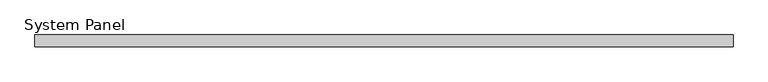
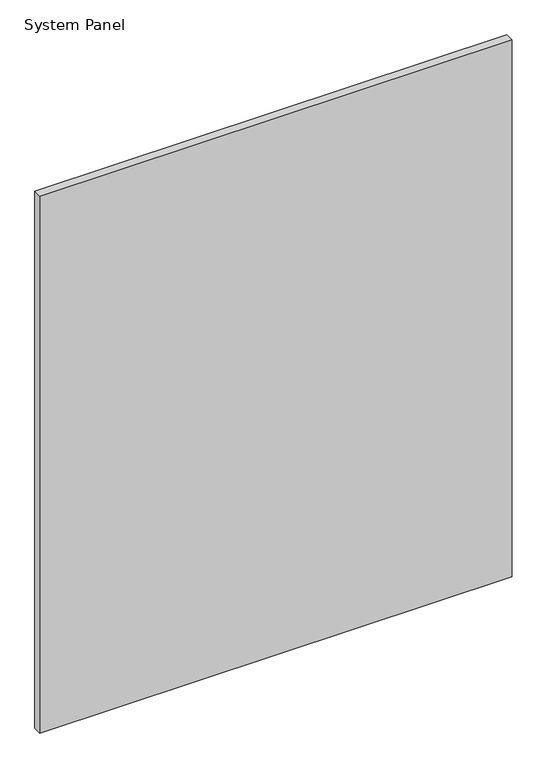
"""IFC4 building model written with IfcOpenShell, lengths in millimetres: plate geometry, System Panel."""

from ifc_helpers import new_model, si_unit, origin, origin_with_axes, place, context, project, spatial, polyline, outline, extrude, source, transform, mapped, element, save


def system_panel_56705651(model_context):
    return source(origin(), model_context, "Body", "SweptSolid", [
        extrude(outline(polyline([(738.4511624, 44.45), (-738.4511624, 44.45), (-738.4511624, 69.85), (738.4511624, 69.85), (738.4511624, 44.45)])), origin_with_axes(), (0.0, 0.0, 1.0), 1774.4100657),
    ])


if __name__ == "__main__":
    model = new_model("IFC4")
    model_context = context("Model", 3, world=origin())
    ifc_project = project(units=[si_unit("LENGTHUNIT", "METRE", prefix="MILLI")], contexts=[model_context])
    site = spatial("IfcSite", under=ifc_project)
    building = spatial("IfcBuilding", under=site)
    placement = place(None, origin())
    system_panel_shape = system_panel_56705651(model_context)
    element("IfcPlate", 1, ObjectType="System Panel", at=placement, inside=building, context=model_context, shape_type="MappedRepresentation", body=[
        mapped(system_panel_shape, transform((0.0, 0.0, 0.0), x_axis=(1.0, 0.0, 0.0), y_axis=(0.0, 1.0, 0.0), z_axis=(0.0, 0.0, 1.0))),
    ])
    save(model, "model.ifc")
